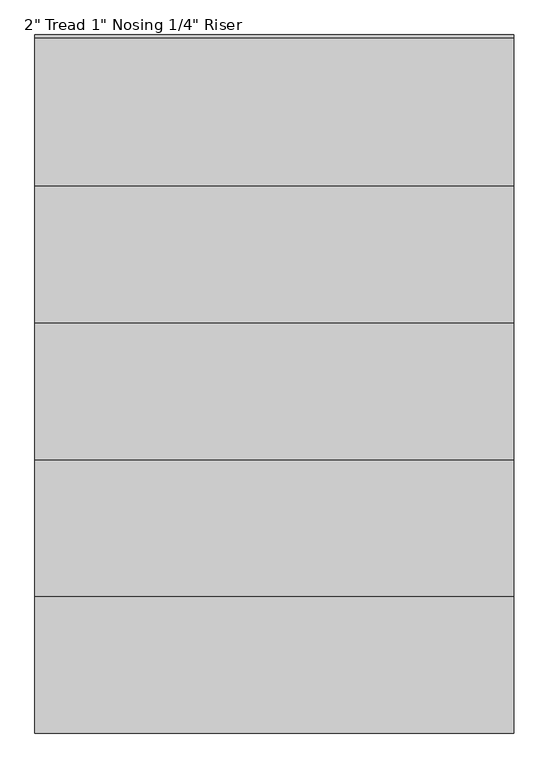
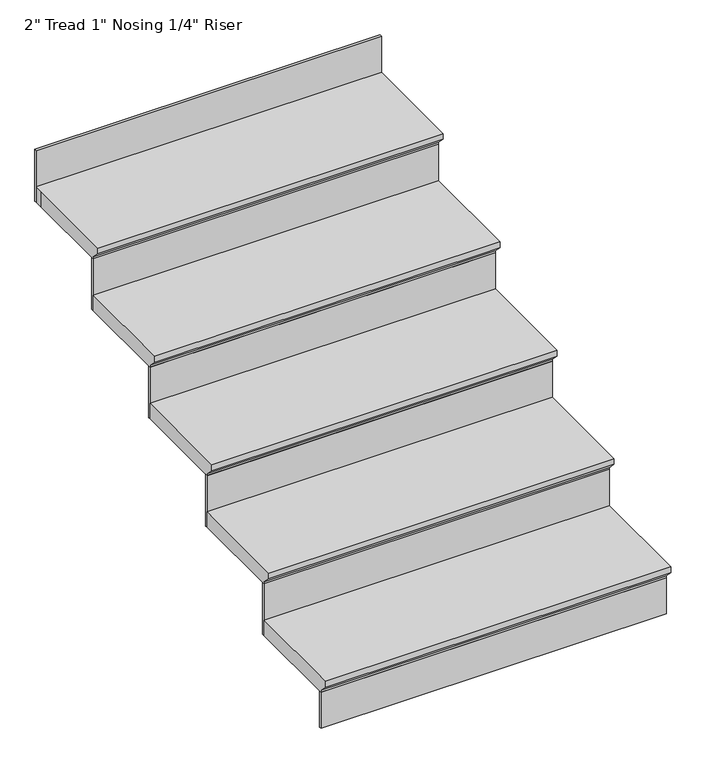
"""IFC4 building model written with IfcOpenShell, lengths in millimetres: stair flight geometry."""

from ifc_helpers import new_model, si_unit, origin, place, context, project, spatial, faceted_brep, source, transform, mapped, element, save


def stair_flight_f47406de(model_context):
    return source(origin(), model_context, "Body", "Brep", [
        faceted_brep([(35912.5697162, -7146.8453523, 149.7852941), (35912.5697162, -7146.8453523, 168.8352941), (34845.7697162, -7146.8453523, 168.8352941), (34845.7697162, -7146.8453523, 149.7852941), (35912.5697162, -7121.4453523, 124.3852941), (34845.7697162, -7121.4453523, 124.3852941), (35912.5697162, -6816.6453523, 168.8352941), (34845.7697162, -6816.6453523, 168.8352941), (34845.7697162, -7121.4453523, 118.0352941), (34845.7697162, -6816.6453523, 118.0352941), (35912.5697162, -6816.6453523, 118.0352941), (35912.5697162, -7121.4453523, 118.0352941)], [[[0, 1, 2, 3]], [[4, 0, 3, 5]], [[2, 1, 6, 7]], [[8, 9, 10, 11]], [[2, 7, 9, 8, 5, 3]], [[8, 11, 4, 5]], [[6, 1, 0, 4, 11, 10]], [[7, 6, 10, 9]]]),
        faceted_brep([(35912.5697162, -7121.4453523, 118.0352941), (35912.5697162, -7121.4453523, 0.0), (35912.5697162, -7115.0953523, 0.0), (35912.5697162, -7115.0953523, 118.0352941), (34845.7697162, -7121.4453523, 118.0352941), (34845.7697162, -7115.0953523, 118.0352941), (34845.7697162, -7115.0953523, 0.0), (34845.7697162, -7121.4453523, 0.0)], [[[0, 1, 2, 3]], [[4, 5, 6, 7]], [[1, 0, 4, 7]], [[2, 1, 7, 6]], [[3, 2, 6, 5]], [[0, 3, 5, 4]]]),
        faceted_brep([(35912.5697162, -6816.6453523, 286.8705882), (35912.5697162, -6816.6453523, 118.0352941), (35912.5697162, -6810.2953523, 118.0352941), (35912.5697162, -6810.2953523, 286.8705882), (34845.7697162, -6816.6453523, 286.8705882), (34845.7697162, -6810.2953523, 286.8705882), (34845.7697162, -6810.2953523, 118.0352941), (34845.7697162, -6816.6453523, 118.0352941)], [[[0, 1, 2, 3]], [[4, 5, 6, 7]], [[1, 0, 4, 7]], [[2, 1, 7, 6]], [[3, 2, 6, 5]], [[0, 3, 5, 4]]]),
        faceted_brep([(34845.7697162, -6842.0453523, 337.6705882), (35912.5697162, -6842.0453523, 337.6705882), (35912.5697162, -6511.8453523, 337.6705882), (34845.7697162, -6511.8453523, 337.6705882), (34845.7697162, -6816.6453523, 286.8705882), (34845.7697162, -6511.8453523, 286.8705882), (35912.5697162, -6511.8453523, 286.8705882), (35912.5697162, -6816.6453523, 286.8705882), (34845.7697162, -6816.6453523, 293.2205882), (34845.7697162, -6842.0453523, 318.6205882), (35912.5697162, -6816.6453523, 293.2205882), (35912.5697162, -6842.0453523, 318.6205882)], [[[0, 1, 2, 3]], [[4, 5, 6, 7]], [[0, 3, 5, 4, 8, 9]], [[4, 7, 10, 8]], [[2, 1, 11, 10, 7, 6]], [[3, 2, 6, 5]], [[11, 1, 0, 9]], [[10, 11, 9, 8]]]),
        faceted_brep([(35912.5697162, -6511.8453523, 455.7058824), (35912.5697162, -6511.8453523, 286.8705882), (35912.5697162, -6505.4953523, 286.8705882), (35912.5697162, -6505.4953523, 455.7058824), (34845.7697162, -6511.8453523, 455.7058824), (34845.7697162, -6505.4953523, 455.7058824), (34845.7697162, -6505.4953523, 286.8705882), (34845.7697162, -6511.8453523, 286.8705882)], [[[0, 1, 2, 3]], [[4, 5, 6, 7]], [[1, 0, 4, 7]], [[2, 1, 7, 6]], [[3, 2, 6, 5]], [[0, 3, 5, 4]]]),
        faceted_brep([(34845.7697162, -6537.2453523, 506.5058824), (35912.5697162, -6537.2453523, 506.5058824), (35912.5697162, -6207.0453523, 506.5058824), (34845.7697162, -6207.0453523, 506.5058824), (34845.7697162, -6511.8453523, 455.7058824), (34845.7697162, -6207.0453523, 455.7058824), (35912.5697162, -6207.0453523, 455.7058824), (35912.5697162, -6511.8453523, 455.7058824), (34845.7697162, -6511.8453523, 462.0558824), (34845.7697162, -6537.2453523, 487.4558824), (35912.5697162, -6511.8453523, 462.0558824), (35912.5697162, -6537.2453523, 487.4558824)], [[[0, 1, 2, 3]], [[4, 5, 6, 7]], [[0, 3, 5, 4, 8, 9]], [[4, 7, 10, 8]], [[2, 1, 11, 10, 7, 6]], [[3, 2, 6, 5]], [[11, 1, 0, 9]], [[10, 11, 9, 8]]]),
        faceted_brep([(35912.5697162, -6207.0453523, 624.5411765), (35912.5697162, -6207.0453523, 455.7058824), (35912.5697162, -6200.6953523, 455.7058824), (35912.5697162, -6200.6953523, 624.5411765), (34845.7697162, -6207.0453523, 624.5411765), (34845.7697162, -6200.6953523, 624.5411765), (34845.7697162, -6200.6953523, 455.7058824), (34845.7697162, -6207.0453523, 455.7058824)], [[[0, 1, 2, 3]], [[4, 5, 6, 7]], [[1, 0, 4, 7]], [[2, 1, 7, 6]], [[3, 2, 6, 5]], [[0, 3, 5, 4]]]),
        faceted_brep([(34845.7697162, -6232.4453523, 675.3411765), (35912.5697162, -6232.4453523, 675.3411765), (35912.5697162, -5902.2453523, 675.3411765), (34845.7697162, -5902.2453523, 675.3411765), (34845.7697162, -6207.0453523, 624.5411765), (34845.7697162, -5902.2453523, 624.5411765), (35912.5697162, -5902.2453523, 624.5411765), (35912.5697162, -6207.0453523, 624.5411765), (34845.7697162, -6207.0453523, 630.8911765), (34845.7697162, -6232.4453523, 656.2911765), (35912.5697162, -6207.0453523, 630.8911765), (35912.5697162, -6232.4453523, 656.2911765)], [[[0, 1, 2, 3]], [[4, 5, 6, 7]], [[0, 3, 5, 4, 8, 9]], [[4, 7, 10, 8]], [[2, 1, 11, 10, 7, 6]], [[3, 2, 6, 5]], [[11, 1, 0, 9]], [[10, 11, 9, 8]]]),
        faceted_brep([(35912.5697162, -5597.4453523, 962.2117647), (35912.5697162, -5597.4453523, 793.3764706), (35912.5697162, -5591.0953523, 793.3764706), (35912.5697162, -5591.0953523, 962.2117647), (34845.7697162, -5597.4453523, 962.2117647), (34845.7697162, -5591.0953523, 962.2117647), (34845.7697162, -5591.0953523, 793.3764706), (34845.7697162, -5597.4453523, 793.3764706)], [[[0, 1, 2, 3]], [[4, 5, 6, 7]], [[1, 0, 4, 7]], [[2, 1, 7, 6]], [[3, 2, 6, 5]], [[0, 3, 5, 4]]]),
        faceted_brep([(35912.5697162, -5902.2453523, 793.3764706), (35912.5697162, -5902.2453523, 624.5411765), (35912.5697162, -5895.8953523, 624.5411765), (35912.5697162, -5895.8953523, 793.3764706), (34845.7697162, -5902.2453523, 793.3764706), (34845.7697162, -5895.8953523, 793.3764706), (34845.7697162, -5895.8953523, 624.5411765), (34845.7697162, -5902.2453523, 624.5411765)], [[[0, 1, 2, 3]], [[4, 5, 6, 7]], [[1, 0, 4, 7]], [[2, 1, 7, 6]], [[3, 2, 6, 5]], [[0, 3, 5, 4]]]),
        faceted_brep([(34845.7697162, -5597.4453523, 844.1764706), (34845.7697162, -5622.8453523, 844.1764706), (34845.7697162, -5927.6453523, 844.1764706), (35912.5697162, -5927.6453523, 844.1764706), (35912.5697162, -5622.8453523, 844.1764706), (35912.5697162, -5597.4453523, 844.1764706), (34845.7697162, -5622.8453523, 793.3764706), (34845.7697162, -5597.4453523, 793.3764706), (35912.5697162, -5597.4453523, 793.3764706), (35912.5697162, -5622.8453523, 793.3764706), (35912.5697162, -5902.2453523, 793.3764706), (34845.7697162, -5902.2453523, 793.3764706), (34845.7697162, -5902.2453523, 799.7264706), (34845.7697162, -5927.6453523, 825.1264706), (35912.5697162, -5902.2453523, 799.7264706), (35912.5697162, -5927.6453523, 825.1264706)], [[[0, 1, 2, 3, 4, 5]], [[6, 7, 8, 9, 10, 11]], [[1, 0, 7, 6]], [[2, 1, 6, 11, 12, 13]], [[11, 10, 14, 12]], [[4, 3, 15, 14, 10, 9]], [[5, 4, 9, 8]], [[0, 5, 8, 7]], [[15, 3, 2, 13]], [[14, 15, 13, 12]]]),
    ])


if __name__ == "__main__":
    model = new_model("IFC4")
    model_context = context("Model", 3, world=origin())
    ifc_project = project(units=[si_unit("LENGTHUNIT", "METRE", prefix="MILLI")], contexts=[model_context])
    site = spatial("IfcSite", under=ifc_project)
    building = spatial("IfcBuilding", under=site)
    placement = place(None, origin())
    stair_flight_shape = stair_flight_f47406de(model_context)
    element("IfcStairFlight", 1, ObjectType="2\" Tread 1\" Nosing 1/4\" Riser", at=placement, inside=building, context=model_context, shape_type="MappedRepresentation", body=[
        mapped(stair_flight_shape, transform((0.0, 0.0, 0.0), x_axis=(1.0, 0.0, 0.0), y_axis=(0.0, 1.0, 0.0), z_axis=(0.0, 0.0, 1.0))),
    ])
    save(model, "model.ifc")
